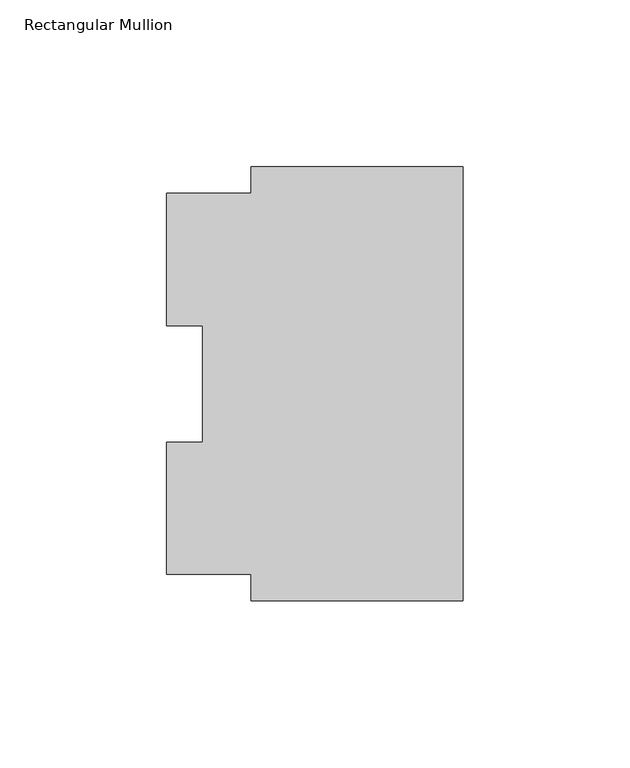
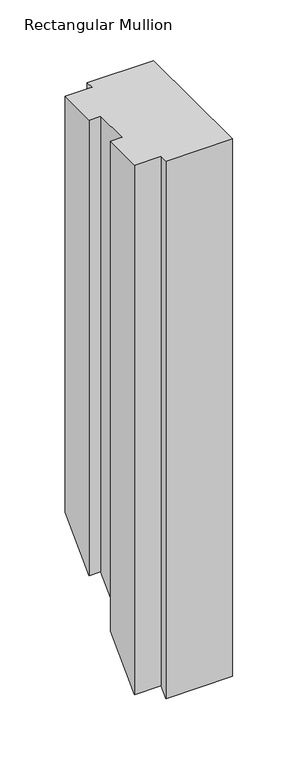
"""IFC4 building model written with IfcOpenShell, lengths in millimetres: member geometry, Rectangular Mullion."""

from ifc_helpers import new_model, si_unit, origin, place, context, project, spatial, faceted_brep, source, transform, mapped, element, save


def rectangular_mullion_09072f81(model_context):
    return source(origin(), model_context, "Body", "Brep", [
        faceted_brep([(0.0, 122.208925, 0.0), (-63.5, 122.208925, 0.0), (-63.5, 114.271425, 0.0), (-88.9, 114.271425, 0.0), (-88.9, 74.596625, 0.0), (-78.0415, 74.596625, 0.0), (-78.0415, 39.646225, 0.0), (-88.9, 39.646225, 0.0), (-88.9, -0.028575, 0.0), (-63.5, -0.028575, 0.0), (-63.5, -7.966075, 0.0), (0.0, -7.966075, 0.0), (0.0, 122.208925, -411.191075), (-63.5, 122.208925, -411.191075), (-63.5, 114.271425, -419.128575), (-88.9, 114.271425, -419.128575), (-88.9, 74.596625, -458.803375), (-78.0415, 74.596625, -458.803375), (-78.0415, 39.646225, -493.753775), (-88.9, 39.646225, -493.753775), (-88.9, -0.028575, -533.428575), (-63.5, -0.028575, -533.428575), (-63.5, -7.966075, -541.366075), (0.0, -7.966075, -541.366075)], [[[0, 1, 2, 3, 4, 5, 6, 7, 8, 9, 10, 11]], [[1, 0, 12, 13]], [[2, 1, 13, 14]], [[3, 2, 14, 15]], [[4, 3, 15, 16]], [[5, 4, 16, 17]], [[6, 5, 17, 18]], [[7, 6, 18, 19]], [[8, 7, 19, 20]], [[9, 8, 20, 21]], [[10, 9, 21, 22]], [[11, 10, 22, 23]], [[0, 11, 23, 12]], [[12, 23, 22, 21, 20, 19, 18, 17, 16, 15, 14, 13]]]),
    ])


if __name__ == "__main__":
    model = new_model("IFC4")
    model_context = context("Model", 3, world=origin())
    ifc_project = project(units=[si_unit("LENGTHUNIT", "METRE", prefix="MILLI")], contexts=[model_context])
    site = spatial("IfcSite", under=ifc_project)
    building = spatial("IfcBuilding", under=site)
    placement = place(None, origin())
    rectangular_mullion_shape = rectangular_mullion_09072f81(model_context)
    element("IfcMember", 1, ObjectType="Rectangular Mullion", at=placement, inside=building, context=model_context, shape_type="MappedRepresentation", body=[
        mapped(rectangular_mullion_shape, transform((0.0, 0.0, 0.0), x_axis=(1.0, 0.0, 0.0), y_axis=(0.0, 1.0, 0.0), z_axis=(0.0, 0.0, 1.0))),
    ])
    save(model, "model.ifc")
